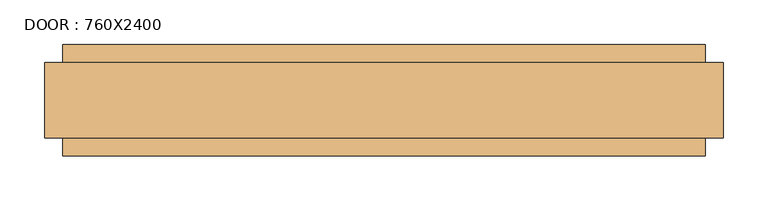
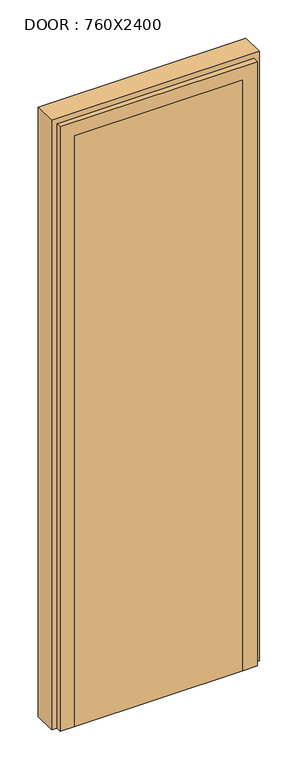
"""IFC4 building model written with IfcOpenShell, lengths in millimetres: door geometry, DOOR : 760X2400."""

from ifc_helpers import new_model, si_unit, frame, origin, place, context, project, spatial, polyline, outline, extrude, faceted_brep, source, transform, mapped, element, save


def door_760x2400_e5790a86(model_context):
    return source(origin(), model_context, "Body", "SolidModel", [
        faceted_brep([(223.0, -75.0, 50.0), (223.0, -30.0, 50.0), (210.0, -30.0, 50.0), (210.0, 50.0, 50.0), (275.0, 50.0, 50.0), (275.0, 30.0, 50.0), (295.0, 30.0, 50.0), (295.0, -55.0, 50.0), (275.0, -55.0, 50.0), (275.0, -75.0, 50.0), (223.0, -75.0, 2328.0), (223.0, -30.0, 2328.0), (-393.0, -30.0, 2328.0), (-393.0, -30.0, 50.0), (-380.0, -30.0, 50.0), (-380.0, -30.0, 2315.0), (210.0, -30.0, 2315.0), (210.0, 50.0, 2315.0), (-380.0, 50.0, 2315.0), (-380.0, 50.0, 50.0), (-445.0, 50.0, 50.0), (-445.0, 50.0, 2380.0), (275.0, 50.0, 2380.0), (275.0, 30.0, 2380.0), (-445.0, 30.0, 2380.0), (-445.0, 30.0, 50.0), (-465.0, 30.0, 50.0), (-465.0, 30.0, 2400.0), (295.0, 30.0, 2400.0), (295.0, -55.0, 2400.0), (-465.0, -55.0, 2400.0), (-465.0, -55.0, 50.0), (-445.0, -55.0, 50.0), (-445.0, -55.0, 2380.0), (275.0, -55.0, 2380.0), (275.0, -75.0, 2380.0), (-445.0, -75.0, 2380.0), (-445.0, -75.0, 50.0), (-393.0, -75.0, 50.0), (-393.0, -75.0, 2328.0)], [[[0, 1, 2, 3, 4, 5, 6, 7, 8, 9]], [[1, 0, 10, 11]], [[2, 1, 11, 12, 13, 14, 15, 16]], [[3, 2, 16, 17]], [[4, 3, 17, 18, 19, 20, 21, 22]], [[5, 4, 22, 23]], [[6, 5, 23, 24, 25, 26, 27, 28]], [[7, 6, 28, 29]], [[8, 7, 29, 30, 31, 32, 33, 34]], [[9, 8, 34, 35]], [[0, 9, 35, 36, 37, 38, 39, 10]], [[12, 39, 38, 13]], [[38, 37, 32, 31, 26, 25, 20, 19, 14, 13]], [[18, 15, 14, 19]], [[24, 21, 20, 25]], [[30, 27, 26, 31]], [[36, 33, 32, 37]], [[11, 10, 39, 12]], [[17, 16, 15, 18]], [[23, 22, 21, 24]], [[29, 28, 27, 30]], [[35, 34, 33, 36]]]),
        extrude(outline(polyline([(223.0, -75.0), (-393.0, -75.0), (-393.0, -30.0), (223.0, -30.0), (223.0, -75.0)])), frame((0.0, 0.0, 50.0), z_axis=(0.0, 0.0, 1.0), x_axis=(1.0, 0.0, 0.0)), (0.0, 0.0, 1.0), 2278.0),
    ])


if __name__ == "__main__":
    model = new_model("IFC4")
    model_context = context("Model", 3, world=origin())
    ifc_project = project(units=[si_unit("LENGTHUNIT", "METRE", prefix="MILLI")], contexts=[model_context])
    site = spatial("IfcSite", under=ifc_project)
    building = spatial("IfcBuilding", under=site)
    placement = place(None, origin())
    door_760x2400_shape = door_760x2400_e5790a86(model_context)
    element("IfcDoor", 1, ObjectType="DOOR : 760X2400", at=placement, inside=building, context=model_context, shape_type="MappedRepresentation", body=[
        mapped(door_760x2400_shape, transform((0.0, 0.0, 0.0), x_axis=(1.0, 0.0, 0.0), y_axis=(0.0, 1.0, 0.0), z_axis=(0.0, 0.0, 1.0))),
    ])
    save(model, "model.ifc")
